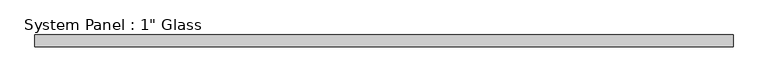
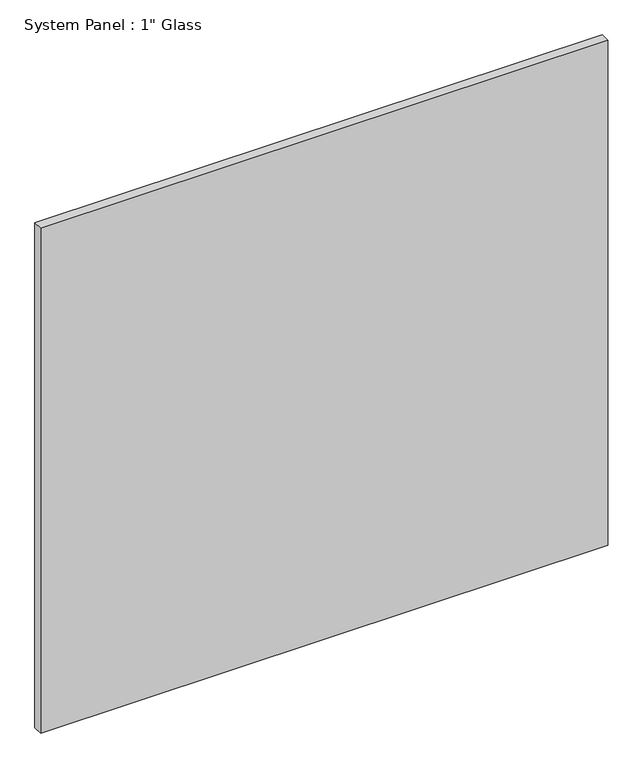
"""IFC4 building model written with IfcOpenShell, lengths in millimetres: plate geometry."""

from ifc_helpers import new_model, si_unit, origin, origin_with_axes, place, context, project, spatial, polyline, outline, extrude, source, transform, mapped, element, save


def plate_3e18703e(model_context):
    return source(origin(), model_context, "Body", "SweptSolid", [
        extrude(outline(polyline([(742.9508852, -10.31875), (-742.9508852, -10.31875), (-742.9508852, 15.08125), (742.9508852, 15.08125), (742.9508852, -10.31875)])), origin_with_axes(), (0.0, 0.0, 1.0), 1397.5261731),
    ])


if __name__ == "__main__":
    model = new_model("IFC4")
    model_context = context("Model", 3, world=origin())
    ifc_project = project(units=[si_unit("LENGTHUNIT", "METRE", prefix="MILLI")], contexts=[model_context])
    site = spatial("IfcSite", under=ifc_project)
    building = spatial("IfcBuilding", under=site)
    placement = place(None, origin())
    plate_shape = plate_3e18703e(model_context)
    element("IfcPlate", 1, ObjectType="System Panel : 1\" Glass", at=placement, inside=building, context=model_context, shape_type="MappedRepresentation", body=[
        mapped(plate_shape, transform((0.0, 0.0, 0.0), x_axis=(1.0, 0.0, 0.0), y_axis=(0.0, 1.0, 0.0), z_axis=(0.0, 0.0, 1.0))),
    ])
    save(model, "model.ifc")
